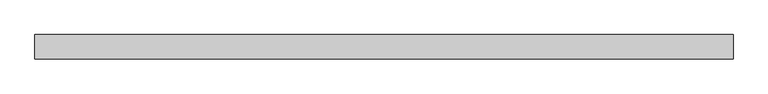
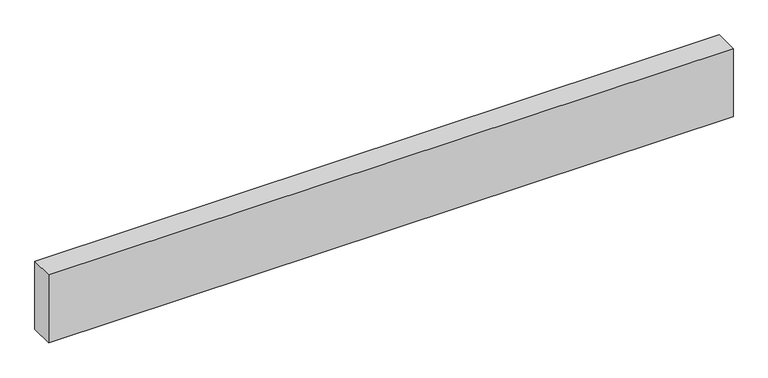
"""IFC4 building model written with IfcOpenShell, lengths in millimetres: proxy geometry."""

import ifcopenshell
import ifcopenshell.guid

model = None  # the IFC model being written
_history = None  # IfcOwnerHistory: only IFC2X3 demands one
_inside = {}  # id of a spatial element -> (the spatial element, [elements in it])
_under = {}  # id of a project, library or spatial element -> (it, [spatial elements below it])
_declared = {}  # id of a project -> (the project, [libraries it declares])
_typed = {}  # id of a type object -> (the type object, [elements of that type])
_made_of = {}  # id of a material, layer set ... -> (it, [elements and type objects made of it])


def new_model(schema):
    """Start an empty IFC model of exactly this schema.

    Asked for "IFC4X3", IfcOpenShell would pick the latest addendum, in which some entities
    have other attributes; the version numbers below select the first issue.
    IFC2X3 requires an IfcOwnerHistory on every rooted entity: one is made here for all.
    """
    global model, _history
    if schema == "IFC4X3":
        model = ifcopenshell.file(schema_version=(4, 3, 0, 0))
    else:
        model = ifcopenshell.file(schema=schema)
    _inside.clear()
    _under.clear()
    _declared.clear()
    _typed.clear()
    _made_of.clear()
    _history = None
    if model.schema == "IFC2X3":
        org = make("IfcOrganization", Name="unknown")
        user = make(
            "IfcPersonAndOrganization",
            ThePerson=make("IfcPerson", FamilyName="unknown"),
            TheOrganization=org,
        )
        app = make(
            "IfcApplication",
            ApplicationDeveloper=org,
            Version="unknown",
            ApplicationFullName="unknown",
            ApplicationIdentifier="unknown",
        )
        _history = make(
            "IfcOwnerHistory",
            OwningUser=user,
            OwningApplication=app,
            ChangeAction="ADDED",
            CreationDate=0,
        )
    return model


def make(cls, **values):
    """One entity of the class cls with the attributes given. An attribute that is None is left unset."""
    return model.create_entity(
        cls, **{name: value for name, value in values.items() if value is not None}
    )


def rooted(cls, **values):
    """An entity with a GlobalId (a new one), such as an element, a storey or a relation."""
    return make(cls, GlobalId=ifcopenshell.guid.new(), OwnerHistory=_history, **values)


def si_unit(unit_type, name, prefix=None):
    """IfcSIUnit, for example si_unit("LENGTHUNIT", "METRE", prefix="MILLI")."""
    return make("IfcSIUnit", UnitType=unit_type, Prefix=prefix, Name=name)


def assignment(units):
    """IfcUnitAssignment: the units of a project."""
    return None if units is None else make("IfcUnitAssignment", Units=units)


def point(xyz):
    """IfcCartesianPoint."""
    return None if xyz is None else make("IfcCartesianPoint", Coordinates=xyz)


def direction(xyz):
    """IfcDirection."""
    return None if xyz is None else make("IfcDirection", DirectionRatios=xyz)


def frame(location, z_axis=None, x_axis=None):
    """IfcAxis2Placement3D, a coordinate frame: its origin and axes. An axis left out is left unset."""
    return make(
        "IfcAxis2Placement3D",
        Location=point(location),
        Axis=direction(z_axis),
        RefDirection=direction(x_axis),
    )


def origin():
    """The frame at (0, 0, 0) with its axes left unset."""
    return frame((0.0, 0.0, 0.0))


def origin_with_axes():
    """The frame at (0, 0, 0) with the z axis (0, 0, 1) and the x axis (1, 0, 0) written out."""
    return frame((0.0, 0.0, 0.0), z_axis=(0.0, 0.0, 1.0), x_axis=(1.0, 0.0, 0.0))


def place(relative_to, where):
    """IfcLocalPlacement: puts the frame where relative to a parent placement (None: the world)."""
    return make(
        "IfcLocalPlacement", PlacementRelTo=relative_to, RelativePlacement=where
    )


def context(
    kind, dimensions, precision=None, world=None, true_north=None, identifier=None
):
    """IfcGeometricRepresentationContext, for example the 3D "Model" context."""
    return make(
        "IfcGeometricRepresentationContext",
        ContextIdentifier=identifier,
        ContextType=kind,
        CoordinateSpaceDimension=dimensions,
        Precision=precision,
        WorldCoordinateSystem=world,
        TrueNorth=true_north,
    )


def project(units=None, contexts=None):
    """IfcProject with its units and contexts."""
    return rooted(
        "IfcProject",
        Name="project",
        RepresentationContexts=contexts,
        UnitsInContext=assignment(units),
    )


def spatial(cls, under=None, at=None, **own):
    """A site, building, storey or space (cls), placed at a placement, below another one or the project."""
    s = rooted(cls, ObjectPlacement=at, **own)
    if under is not None:
        _under.setdefault(under.id(), (under, []))[1].append(s)
    return s


def polyline(points):
    """IfcPolyline through the points."""
    return make("IfcPolyline", Points=[point(p) for p in points])


def outline(outer, holes=None, kind="AREA"):
    """IfcArbitraryClosedProfileDef: a profile drawn as a closed curve; with holes, ...WithVoids."""
    if holes is None:
        return make("IfcArbitraryClosedProfileDef", ProfileType=kind, OuterCurve=outer)
    return make(
        "IfcArbitraryProfileDefWithVoids",
        ProfileType=kind,
        OuterCurve=outer,
        InnerCurves=holes,
    )


def extrude(swept, where, along, depth):
    """IfcExtrudedAreaSolid: the profile swept, set in the frame where, extruded along a direction by depth."""
    return make(
        "IfcExtrudedAreaSolid",
        SweptArea=swept,
        Position=where,
        ExtrudedDirection=direction(along),
        Depth=depth,
    )


def shape(context_of_items, identifier, shape_type, items):
    """IfcShapeRepresentation: the items that make up one representation, for example the "Body"."""
    return make(
        "IfcShapeRepresentation",
        ContextOfItems=context_of_items,
        RepresentationIdentifier=identifier,
        RepresentationType=shape_type,
        Items=items,
    )


def source(mapping_origin, context_of_items, identifier, shape_type, items):
    """IfcRepresentationMap: a shape defined once, which mapped items show again and again."""
    return make(
        "IfcRepresentationMap",
        MappingOrigin=mapping_origin,
        MappedRepresentation=shape(context_of_items, identifier, shape_type, items),
    )


def transform(
    local_origin,
    x_axis=None,
    y_axis=None,
    z_axis=None,
    scale=None,
    scale2=None,
    scale3=None,
    uniform=True,
):
    """IfcCartesianTransformationOperator3D, or its non-uniform kind. x_axis, y_axis, z_axis: its Axis1, 2, 3."""
    if uniform:
        return make(
            "IfcCartesianTransformationOperator3D",
            Axis1=direction(x_axis),
            Axis2=direction(y_axis),
            LocalOrigin=point(local_origin),
            Scale=scale,
            Axis3=direction(z_axis),
        )
    return make(
        "IfcCartesianTransformationOperator3DnonUniform",
        Axis1=direction(x_axis),
        Axis2=direction(y_axis),
        LocalOrigin=point(local_origin),
        Scale=scale,
        Axis3=direction(z_axis),
        Scale2=scale2,
        Scale3=scale3,
    )


def mapped(mapping_source, mapping_target):
    """IfcMappedItem: shows the shape of a source again, moved by a transform."""
    return make(
        "IfcMappedItem", MappingSource=mapping_source, MappingTarget=mapping_target
    )


def made_of(thing, what):
    """Note that an element or type object is made of a material, layer set ...; save() writes the relation."""
    if what is not None:
        _made_of.setdefault(what.id(), (what, []))[1].append(thing)
    return thing


def element(
    cls,
    number,
    at=None,
    inside=None,
    cuts=None,
    type_object=None,
    material=None,
    context=None,
    identifier="Body",
    shape_type=None,
    held_by="IfcProductDefinitionShape",
    body=None,
    shapes=None,
    **own,
):
    """One element of the class cls, such as IfcWall. Its Tag is "e" and its number.

    at: its placement. inside: the storey or other place that contains it. cuts: it is an
    opening in that element (IfcRelVoidsElement). A single representation is given by context,
    identifier, shape_type and body (its items); several are given by shapes. held_by: the class
    of the entity that holds the representations. save() writes the other relations.
    """
    e = rooted(cls, Tag="e%d" % number, ObjectPlacement=at, **own)
    if body is not None:
        shapes = [shape(context, identifier, shape_type, body)]
    if shapes is not None:
        e.Representation = make(held_by, Representations=shapes)
    if inside is not None:
        _inside.setdefault(inside.id(), (inside, []))[1].append(e)
    if cuts is not None:
        rooted(
            "IfcRelVoidsElement", RelatingBuildingElement=cuts, RelatedOpeningElement=e
        )
    if type_object is not None:
        _typed.setdefault(type_object.id(), (type_object, []))[1].append(e)
    return made_of(e, material)


def aggregate(whole, parts):
    """IfcRelAggregates: a whole, such as a stair, and the parts it consists of."""
    return rooted("IfcRelAggregates", RelatingObject=whole, RelatedObjects=parts)


def save(model, path):
    """Write the relations noted so far, then the file.

    IfcRelAggregates (storeys below a building ...), IfcRelContainedInSpatialStructure (elements
    in a storey), IfcRelDefinesByType, IfcRelAssociatesMaterial and IfcRelDeclares: one each for
    every whole, place, type object, material and project.
    """
    for whole, parts in _under.values():
        aggregate(whole, parts)
    for where, things in _inside.values():
        rooted(
            "IfcRelContainedInSpatialStructure",
            RelatedElements=things,
            RelatingStructure=where,
        )
    for kind, things in _typed.values():
        rooted("IfcRelDefinesByType", RelatedObjects=things, RelatingType=kind)
    for what, things in _made_of.values():
        rooted("IfcRelAssociatesMaterial", RelatedObjects=things, RelatingMaterial=what)
    for by, libraries in _declared.values():
        rooted("IfcRelDeclares", RelatingContext=by, RelatedDefinitions=libraries)
    model.write(path)


def generic_models_9be761a4(model_context):
    return source(origin(), model_context, "Body", "SweptSolid", [
        extrude(outline(polyline([(2854.2496461, 0.0), (2854.2496461, -100.0), (0.0, -100.0), (0.0, 0.0), (2854.2496461, 0.0)])), origin_with_axes(), (0.0, 0.0, 1.0), 300.0),
    ])


if __name__ == "__main__":
    model = new_model("IFC4")
    model_context = context("Model", 3, world=origin())
    ifc_project = project(units=[si_unit("LENGTHUNIT", "METRE", prefix="MILLI")], contexts=[model_context])
    site = spatial("IfcSite", under=ifc_project)
    building = spatial("IfcBuilding", under=site)
    placement = place(None, origin())
    generic_models_shape = generic_models_9be761a4(model_context)
    element("IfcBuildingElementProxy", 1, Name="Generic Models", at=placement, inside=building, context=model_context, shape_type="MappedRepresentation", body=[
        mapped(generic_models_shape, transform((0.0, 0.0, 0.0), x_axis=(1.0, 0.0, 0.0), y_axis=(0.0, 1.0, 0.0), z_axis=(0.0, 0.0, 1.0))),
    ])
    save(model, "model.ifc")
